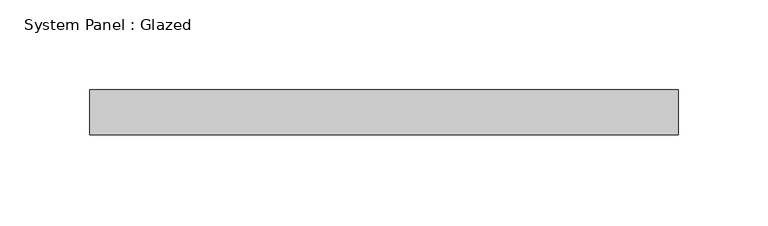
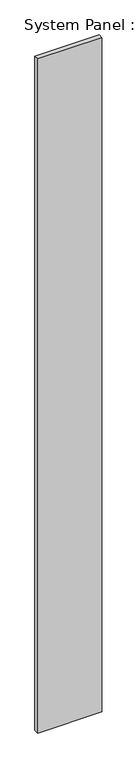
"""IFC4 building model written with IfcOpenShell, lengths in millimetres: plate geometry, System Panel : Glazed."""

from ifc_helpers import new_model, si_unit, origin, origin_with_axes, place, context, project, spatial, polyline, outline, extrude, source, transform, mapped, element, save


def system_panel_glazed_0a85e2fb(model_context):
    return source(origin(), model_context, "Body", "SweptSolid", [
        extrude(outline(polyline([(164.48691, 19.05), (-164.48691, 19.05), (-164.48691, 44.45), (164.48691, 44.45), (164.48691, 19.05)])), origin_with_axes(), (0.0, 0.0, 1.0), 3657.6),
    ])


if __name__ == "__main__":
    model = new_model("IFC4")
    model_context = context("Model", 3, world=origin())
    ifc_project = project(units=[si_unit("LENGTHUNIT", "METRE", prefix="MILLI")], contexts=[model_context])
    site = spatial("IfcSite", under=ifc_project)
    building = spatial("IfcBuilding", under=site)
    placement = place(None, origin())
    system_panel_glazed_shape = system_panel_glazed_0a85e2fb(model_context)
    element("IfcPlate", 1, ObjectType="System Panel : Glazed", at=placement, inside=building, context=model_context, shape_type="MappedRepresentation", body=[
        mapped(system_panel_glazed_shape, transform((0.0, 0.0, 0.0), x_axis=(1.0, 0.0, 0.0), y_axis=(0.0, 1.0, 0.0), z_axis=(0.0, 0.0, 1.0))),
    ])
    save(model, "model.ifc")
